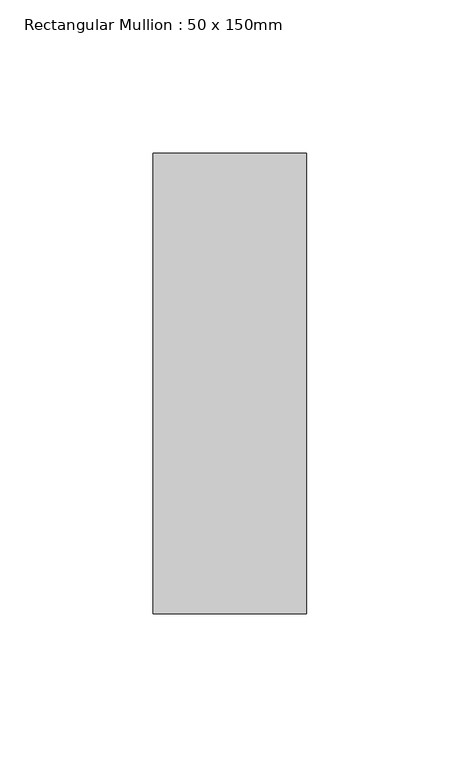
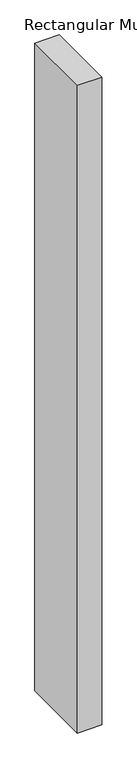
"""IFC4 building model written with IfcOpenShell, lengths in millimetres: member geometry, Rectangular Mullion : 50 x 150mm."""

from ifc_helpers import new_model, si_unit, frame, origin, place, context, project, spatial, polyline, outline, extrude, source, transform, mapped, element, save


def rectangular_mullion_50_x_150mm_74673b30(model_context):
    return source(origin(), model_context, "Body", "SweptSolid", [
        extrude(outline(polyline([(25.0, 75.0), (25.0, -75.0), (-25.0, -75.0), (-25.0, 75.0), (25.0, 75.0)])), frame((0.0, 0.0, -1397.3795962), z_axis=(0.0, 0.0, 1.0), x_axis=(1.0, 0.0, 0.0)), (0.0, 0.0, 1.0), 1397.3795962),
    ])


if __name__ == "__main__":
    model = new_model("IFC4")
    model_context = context("Model", 3, world=origin())
    ifc_project = project(units=[si_unit("LENGTHUNIT", "METRE", prefix="MILLI")], contexts=[model_context])
    site = spatial("IfcSite", under=ifc_project)
    building = spatial("IfcBuilding", under=site)
    placement = place(None, origin())
    rectangular_mullion_50_x_150mm_shape = rectangular_mullion_50_x_150mm_74673b30(model_context)
    element("IfcMember", 1, ObjectType="Rectangular Mullion : 50 x 150mm", at=placement, inside=building, context=model_context, shape_type="MappedRepresentation", body=[
        mapped(rectangular_mullion_50_x_150mm_shape, transform((0.0, 0.0, 0.0), x_axis=(1.0, 0.0, 0.0), y_axis=(0.0, 1.0, 0.0), z_axis=(0.0, 0.0, 1.0))),
    ])
    save(model, "model.ifc")
